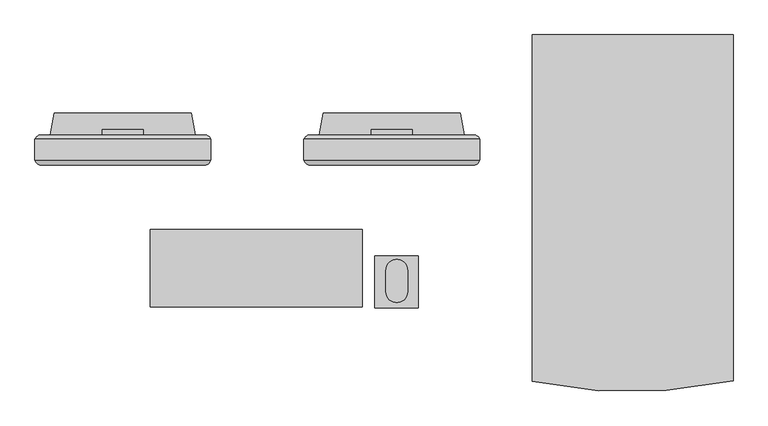
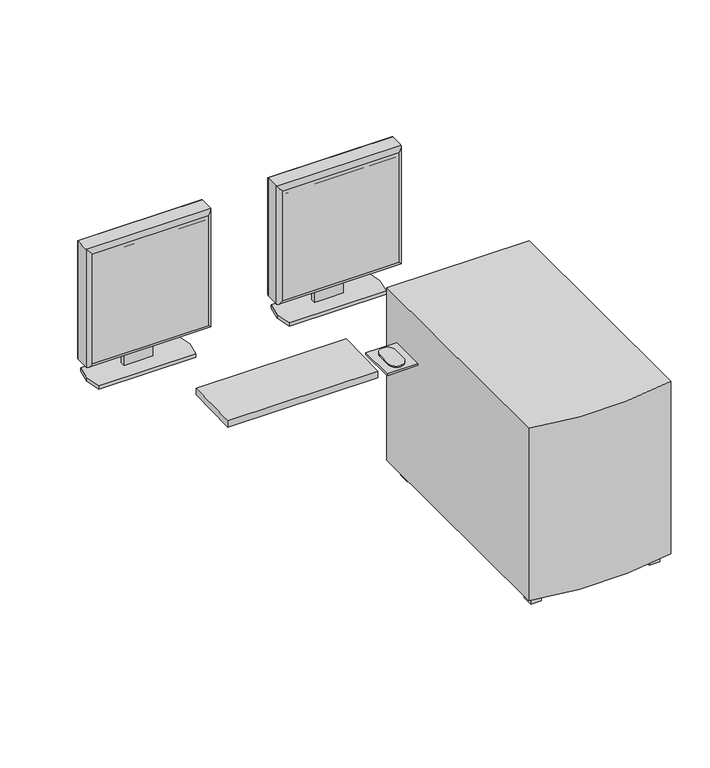
"""IFC4 building model written with IfcOpenShell, lengths in millimetres: proxy geometry."""

from ifc_helpers import new_model, si_unit, point, frame, frame_2d, origin, origin_with_axes, place, context, project, spatial, polyline, circle_curve, ellipse_curve, trimmed, segment, composite_curve, outline, extrude, source, transform, mapped, element, save
from ifc_brep_helpers import plane_surface, cylinder_surface, advanced_brep


def specialty_equipment_9a6ed534(model_context):
    return source(origin(), model_context, "Body", "SolidModel", [
        advanced_brep(
        [(801.1867356, -368.091636, 1354.1279923), (801.1867356, -411.2223166, 1354.1279923), (801.1867356, -416.2193594, 1354.1279923), (1210.1267356, -416.2193594, 1354.1279923), (1210.1267356, -411.2223166, 1354.1279923), (1210.1267356, -368.091636, 1354.1279923), (1210.1267356, -368.091636, 944.5643187), (1210.1267356, -411.2223166, 944.5643187), (1210.1267356, -416.2193594, 944.5643187), (801.1867356, -416.2193594, 944.5643187), (801.1867356, -411.2223166, 944.5643187), (801.1867356, -368.091636, 944.5643187), (810.4243716, -358.854, 953.8019547), (810.4243716, -358.854, 1344.8903563), (1200.8890997, -358.854, 1344.8903563), (1200.8890997, -358.854, 953.8019547), (815.3508963, -428.1036769, 1339.9625613), (815.3508963, -428.1036769, 958.7297497), (1195.9613046, -428.1036769, 958.7284793), (1195.962575, -428.1036769, 1339.9625613)],
        [
            (0, 1),
            (1, 2),
            (2, 3),
            (3, 4),
            (4, 5),
            (5, 0),
            (6, 7),
            (7, 8),
            (8, 9),
            (9, 10),
            (10, 11),
            (11, 6),
            (12, 13),
            (13, 14),
            (14, 15),
            (15, 12),
            (0, 11),
            (9, 2),
            (16, 17),
            (17, 18),
            (18, 19),
            (19, 16),
            (3, 8),
            (6, 5),
            (12, 11, ellipse_curve(frame((817.3014239, -374.9686883, 960.679007), z_axis=(-0.7071067811865452, 0.0, 0.7071067811865498), x_axis=(-0.7071067811865498, 0.0, -0.7071067811865452)), 24.7780962, 17.5207599)),
            (0, 13, ellipse_curve(frame((817.3014239, -374.9686883, 1338.013304), z_axis=(-0.7071067811865498, 0.0, -0.7071067811865452), x_axis=(0.7071067811865452, 0.0, -0.7071067811865498)), 24.7780962, 17.5207599)),
            (16, 2, ellipse_curve(frame((815.3508963, -413.720838, 1339.9638317), z_axis=(-0.7071067811865498, 0.0, -0.7071067811865452), x_axis=(0.7071067811865452, 0.0, -0.7071067811865498)), 20.3404059, 14.3828389)),
            (9, 17, ellipse_curve(frame((815.3508963, -413.720838, 958.7284793), z_axis=(-0.7071067811865452, 0.0, 0.7071067811865498), x_axis=(-0.7071067811865498, 0.0, -0.7071067811865452)), 20.3404059, 14.3828389)),
            (15, 6, ellipse_curve(frame((1194.0120474, -374.9686883, 960.679007), z_axis=(-0.7071067811865498, 0.0, -0.7071067811865452), x_axis=(0.7071067811865452, 0.0, -0.7071067811865497)), 24.7780962, 17.5207599)),
            (8, 18, ellipse_curve(frame((1195.962575, -413.720838, 958.7284793), z_axis=(-0.7071067811865498, 0.0, -0.7071067811865452), x_axis=(0.7071067811865452, 0.0, -0.7071067811865497)), 20.3404059, 14.3828389)),
            (14, 5, ellipse_curve(frame((1194.0120474, -374.9686883, 1338.013304), z_axis=(0.7071067811865452, 0.0, -0.7071067811865498), x_axis=(0.7071067811865498, 0.0, 0.7071067811865452)), 24.7780962, 17.5207599)),
            (3, 19, ellipse_curve(frame((1195.962575, -413.720838, 1339.9638317), z_axis=(0.7071067811865452, 0.0, -0.7071067811865498), x_axis=(0.7071067811865498, 0.0, 0.7071067811865452)), 20.3404059, 14.3828389)),
        ],
        [
            plane_surface(frame((806.2667356, -358.854, 1354.1279923), z_axis=(0.0, 0.0, 1.0), x_axis=(-1.0, 0.0, 0.0))),
            plane_surface(frame((806.2667356, -358.854, 944.5643187), z_axis=(0.0, 0.0, -1.0), x_axis=(1.0, 0.0, 0.0))),
            plane_surface(frame((1210.1267356, -358.854, 1354.1279923), z_axis=(0.0, 1.0, 0.0), x_axis=(0.0, 0.0, -1.0))),
            plane_surface(frame((801.1867356, -358.854, 1354.1279923), z_axis=(-1.0, 0.0, 0.0), x_axis=(0.0, 0.0, -1.0))),
            plane_surface(frame((801.1867356, -428.1036769, 1354.1279923), z_axis=(0.0, -1.0, 0.0), x_axis=(0.0, 0.0, -1.0))),
            plane_surface(frame((1210.1267356, -428.1036769, 1354.1279923), z_axis=(1.0, 0.0, 0.0), x_axis=(0.0, 0.0, -1.0))),
            cylinder_surface(frame((817.3014239, -374.9686883, 1354.1279923), z_axis=(0.0, 0.0, -1.0), x_axis=(0.0, 1.0, 0.0)), 17.5207599),
            cylinder_surface(frame((815.3508963, -413.720838, 1354.1279923), z_axis=(0.0, 0.0, -1.0), x_axis=(0.0, 1.0, 0.0)), 14.3828389),
            cylinder_surface(frame((801.1867356, -374.9686883, 960.679007), z_axis=(1.0, 0.0, 0.0), x_axis=(0.0, 1.0, 0.0)), 17.5207599),
            cylinder_surface(frame((801.1867356, -413.720838, 958.7284793), z_axis=(1.0, 0.0, 0.0), x_axis=(0.0, 1.0, 0.0)), 14.3828389),
            cylinder_surface(frame((1194.0120474, -374.9686883, 944.5643187), z_axis=(0.0, 0.0, 1.0), x_axis=(0.0, 1.0, 0.0)), 17.5207599),
            cylinder_surface(frame((1195.962575, -413.720838, 944.5643187), z_axis=(0.0, 0.0, 1.0), x_axis=(0.0, 1.0, 0.0)), 14.3828389),
            cylinder_surface(frame((1210.1267356, -374.9686883, 1338.013304), z_axis=(-1.0, 0.0, 0.0), x_axis=(0.0, 1.0, 0.0)), 17.5207599),
            cylinder_surface(frame((1210.1267356, -413.720838, 1339.9638317), z_axis=(-1.0, 0.0, 0.0), x_axis=(0.0, 1.0, 0.0)), 14.3828389),
        ],
        [
            (0, [[1, 2, 3, 4, 5, 6]]),
            (1, [[7, 8, 9, 10, 11, 12]]),
            (2, [[13, 14, 15, 16]]),
            (3, [[-1, 17, -11, -10, 18, -2]]),
            (4, [[19, 20, 21, 22]]),
            (5, [[-5, -4, 23, -8, -7, 24]]),
            (6, [[25, -17, 26, -13]]),
            (7, [[27, -18, 28, -19]]),
            (8, [[-25, -16, 29, -12]]),
            (9, [[30, -20, -28, -9]]),
            (10, [[-29, -15, 31, -24]]),
            (11, [[32, -21, -30, -23]]),
            (12, [[-26, -6, -31, -14]]),
            (13, [[-27, -22, -32, -3]]),
        ],
    ),
        extrude(outline(polyline([(826.5867356, -422.1898978), (1184.7267356, -422.1898978), (1184.7267356, -428.1036769), (826.5867356, -428.1036769), (826.5867356, -422.1898978)])), frame((0.0, 0.0, 969.9643187), z_axis=(0.0, 0.0, 1.0), x_axis=(1.0, 0.0, 0.0)), (0.0, 0.0, 1.0), 358.7636736),
        extrude(outline(polyline([(-358.854, 1170.5473979), (-346.1728288, 1170.5473979), (-346.1728288, 860.8833654), (-358.854, 860.8833654), (-358.854, 941.1019547), (-356.1167676, 941.1019547), (-356.1167676, 953.8019547), (-358.854, 953.8019547), (-358.854, 1170.5473979)])), frame((958.0317356, 0.0, 0.0), z_axis=(1.0, 0.0, 0.0), x_axis=(0.0, 1.0, 0.0)), (0.0, 0.0, 1.0), 95.25),
        extrude(outline(polyline([(837.0007356, -358.854), (846.1447356, -307.8), (1165.1687356, -307.8), (1174.3127356, -358.854), (1165.1687356, -409.908), (846.1447356, -409.908), (837.0007356, -358.854)])), frame((0.0, 0.0, 848.6679923), z_axis=(0.0, 0.0, 1.0), x_axis=(1.0, 0.0, 0.0)), (0.0, 0.0, 1.0), 12.2153731),
        advanced_brep(
        [(175.730005, -368.091636, 1354.1279923), (175.730005, -411.2223166, 1354.1279923), (175.730005, -416.2193594, 1354.1279923), (584.670005, -416.2193594, 1354.1279923), (584.670005, -411.2223166, 1354.1279923), (584.670005, -368.091636, 1354.1279923), (584.670005, -368.091636, 944.5643187), (584.670005, -411.2223166, 944.5643187), (584.670005, -416.2193594, 944.5643187), (175.730005, -416.2193594, 944.5643187), (175.730005, -411.2223166, 944.5643187), (175.730005, -368.091636, 944.5643187), (184.967641, -358.854, 953.8019547), (184.967641, -358.854, 1344.8903563), (575.432369, -358.854, 1344.8903563), (575.432369, -358.854, 953.8019547), (189.8941656, -428.1036769, 1339.9625613), (189.8941656, -428.1036769, 958.7297497), (570.504574, -428.1036769, 958.7284793), (570.5058444, -428.1036769, 1339.9625613)],
        [
            (0, 1),
            (1, 2),
            (2, 3),
            (3, 4),
            (4, 5),
            (5, 0),
            (6, 7),
            (7, 8),
            (8, 9),
            (9, 10),
            (10, 11),
            (11, 6),
            (12, 13),
            (13, 14),
            (14, 15),
            (15, 12),
            (0, 11),
            (9, 2),
            (16, 17),
            (17, 18),
            (18, 19),
            (19, 16),
            (3, 8),
            (6, 5),
            (12, 11, ellipse_curve(frame((191.8446933, -374.9686883, 960.679007), z_axis=(-0.7071067811865452, 0.0, 0.7071067811865498), x_axis=(-0.7071067811865498, 0.0, -0.7071067811865452)), 24.7780962, 17.5207599)),
            (0, 13, ellipse_curve(frame((191.8446933, -374.9686883, 1338.013304), z_axis=(-0.7071067811865498, 0.0, -0.7071067811865452), x_axis=(0.7071067811865452, 0.0, -0.7071067811865498)), 24.7780962, 17.5207599)),
            (16, 2, ellipse_curve(frame((189.8941656, -413.720838, 1339.9638317), z_axis=(-0.7071067811865498, 0.0, -0.7071067811865452), x_axis=(0.7071067811865452, 0.0, -0.7071067811865498)), 20.3404059, 14.3828389)),
            (9, 17, ellipse_curve(frame((189.8941656, -413.720838, 958.7284793), z_axis=(-0.7071067811865452, 0.0, 0.7071067811865498), x_axis=(-0.7071067811865498, 0.0, -0.7071067811865452)), 20.3404059, 14.3828389)),
            (15, 6, ellipse_curve(frame((568.5553167, -374.9686883, 960.679007), z_axis=(-0.7071067811865498, 0.0, -0.7071067811865452), x_axis=(0.7071067811865452, 0.0, -0.7071067811865497)), 24.7780962, 17.5207599)),
            (8, 18, ellipse_curve(frame((570.5058444, -413.720838, 958.7284793), z_axis=(-0.7071067811865498, 0.0, -0.7071067811865452), x_axis=(0.7071067811865452, 0.0, -0.7071067811865497)), 20.3404059, 14.3828389)),
            (14, 5, ellipse_curve(frame((568.5553167, -374.9686883, 1338.013304), z_axis=(0.7071067811865452, 0.0, -0.7071067811865498), x_axis=(0.7071067811865498, 0.0, 0.7071067811865452)), 24.7780962, 17.5207599)),
            (3, 19, ellipse_curve(frame((570.5058444, -413.720838, 1339.9638317), z_axis=(0.7071067811865452, 0.0, -0.7071067811865498), x_axis=(0.7071067811865498, 0.0, 0.7071067811865452)), 20.3404059, 14.3828389)),
        ],
        [
            plane_surface(frame((180.810005, -358.854, 1354.1279923), z_axis=(0.0, 0.0, 1.0), x_axis=(-1.0, 0.0, 0.0))),
            plane_surface(frame((180.810005, -358.854, 944.5643187), z_axis=(0.0, 0.0, -1.0), x_axis=(1.0, 0.0, 0.0))),
            plane_surface(frame((584.670005, -358.854, 1354.1279923), z_axis=(0.0, 1.0, 0.0), x_axis=(0.0, 0.0, -1.0))),
            plane_surface(frame((175.730005, -358.854, 1354.1279923), z_axis=(-1.0, 0.0, 0.0), x_axis=(0.0, 0.0, -1.0))),
            plane_surface(frame((175.730005, -428.1036769, 1354.1279923), z_axis=(0.0, -1.0, 0.0), x_axis=(0.0, 0.0, -1.0))),
            plane_surface(frame((584.670005, -428.1036769, 1354.1279923), z_axis=(1.0, 0.0, 0.0), x_axis=(0.0, 0.0, -1.0))),
            cylinder_surface(frame((191.8446933, -374.9686883, 1354.1279923), z_axis=(0.0, 0.0, -1.0), x_axis=(0.0, 1.0, 0.0)), 17.5207599),
            cylinder_surface(frame((189.8941656, -413.720838, 1354.1279923), z_axis=(0.0, 0.0, -1.0), x_axis=(0.0, 1.0, 0.0)), 14.3828389),
            cylinder_surface(frame((175.730005, -374.9686883, 960.679007), z_axis=(1.0, 0.0, 0.0), x_axis=(0.0, 1.0, 0.0)), 17.5207599),
            cylinder_surface(frame((175.730005, -413.720838, 958.7284793), z_axis=(1.0, 0.0, 0.0), x_axis=(0.0, 1.0, 0.0)), 14.3828389),
            cylinder_surface(frame((568.5553167, -374.9686883, 944.5643187), z_axis=(0.0, 0.0, 1.0), x_axis=(0.0, 1.0, 0.0)), 17.5207599),
            cylinder_surface(frame((570.5058444, -413.720838, 944.5643187), z_axis=(0.0, 0.0, 1.0), x_axis=(0.0, 1.0, 0.0)), 14.3828389),
            cylinder_surface(frame((584.670005, -374.9686883, 1338.013304), z_axis=(-1.0, 0.0, 0.0), x_axis=(0.0, 1.0, 0.0)), 17.5207599),
            cylinder_surface(frame((584.670005, -413.720838, 1339.9638317), z_axis=(-1.0, 0.0, 0.0), x_axis=(0.0, 1.0, 0.0)), 14.3828389),
        ],
        [
            (0, [[1, 2, 3, 4, 5, 6]]),
            (1, [[7, 8, 9, 10, 11, 12]]),
            (2, [[13, 14, 15, 16]]),
            (3, [[-1, 17, -11, -10, 18, -2]]),
            (4, [[19, 20, 21, 22]]),
            (5, [[-5, -4, 23, -8, -7, 24]]),
            (6, [[25, -17, 26, -13]]),
            (7, [[27, -18, 28, -19]]),
            (8, [[-25, -16, 29, -12]]),
            (9, [[30, -20, -28, -9]]),
            (10, [[-29, -15, 31, -24]]),
            (11, [[32, -21, -30, -23]]),
            (12, [[-26, -6, -31, -14]]),
            (13, [[-27, -22, -32, -3]]),
        ],
    ),
        extrude(outline(polyline([(201.130005, -422.1898978), (559.270005, -422.1898978), (559.270005, -428.1036769), (201.130005, -428.1036769), (201.130005, -422.1898978)])), frame((0.0, 0.0, 969.9643187), z_axis=(0.0, 0.0, 1.0), x_axis=(1.0, 0.0, 0.0)), (0.0, 0.0, 1.0), 358.7636736),
        extrude(outline(polyline([(-358.854, 1170.5473979), (-346.1728288, 1170.5473979), (-346.1728288, 860.8833654), (-358.854, 860.8833654), (-358.854, 941.1019547), (-356.1167676, 941.1019547), (-356.1167676, 953.8019547), (-358.854, 953.8019547), (-358.854, 1170.5473979)])), frame((332.575005, 0.0, 0.0), z_axis=(1.0, 0.0, 0.0), x_axis=(0.0, 1.0, 0.0)), (0.0, 0.0, 1.0), 95.25),
        extrude(outline(polyline([(211.544005, -358.854), (220.688005, -307.8), (539.712005, -307.8), (548.856005, -358.854), (539.712005, -409.908), (220.688005, -409.908), (211.544005, -358.854)])), frame((0.0, 0.0, 848.6679923), z_axis=(0.0, 0.0, 1.0), x_axis=(1.0, 0.0, 0.0)), (0.0, 0.0, 1.0), 12.2153731),
        extrude(outline(composite_curve([segment(trimmed(circle_curve(frame_2d((1016.903485, -722.8690029)), 25.4), [point((1042.303485, -722.8690029))], [point((991.503485, -722.8690029))], False, "CARTESIAN"), True, "CONTINUOUS"), segment(polyline([(991.503485, -722.8690029), (991.503485, -673.7527633)]), True, "CONTINUOUS"), segment(trimmed(circle_curve(frame_2d((1016.903485, -673.7527633)), 25.4), [point((991.503485, -673.7527633))], [point((1042.303485, -673.7527633))], False, "CARTESIAN"), True, "CONTINUOUS"), segment(polyline([(1042.303485, -673.7527633), (1042.303485, -722.8690029)]), True, "CONTINUOUS")], self_intersect=False)), frame((0.0, 0.0, 853.3365775), z_axis=(0.0, 0.0, 1.0), x_axis=(1.0, 0.0, 0.0)), (0.0, 0.0, 1.0), 4.6445578),
        extrude(outline(polyline([(1067.2412878, -639.3214235), (1067.2412878, -760.3575522), (966.2044784, -760.3575522), (966.2044784, -639.3214235), (1067.2412878, -639.3214235)])), frame((0.0, 0.0, 847.472186), z_axis=(0.0, 0.0, 1.0), x_axis=(1.0, 0.0, 0.0)), (0.0, 0.0, 1.0), 5.8643915),
        extrude(outline(polyline([(556.5913043, 0.0), (556.5913043, -179.556892), (64.2033836, -179.556892), (64.2033836, 0.0), (556.5913043, 0.0)])), frame((379.7293003, -577.794651, 852.9102897), z_axis=(0.0, -0.023626480133413532, 0.9997208557574987), x_axis=(1.0, 0.0, 0.0)), (0.0, 0.0, 1.0), 23.0517179),
        extrude(outline(polyline([(1746.6768869, -196.0909562), (1746.6768869, -158.5361795), (1781.2975565, -158.5361795), (1781.2975565, -196.0909562), (1746.6768869, -196.0909562)])), origin_with_axes(), (0.0, 0.0, 1.0), 41.0096689),
        extrude(outline(polyline([(1746.6768869, -898.6754979), (1746.6768869, -861.1207212), (1781.2975565, -861.1207212), (1781.2975565, -898.6754979), (1746.6768869, -898.6754979)])), origin_with_axes(), (0.0, 0.0, 1.0), 41.0096689),
        extrude(outline(composite_curve([segment(polyline([(1331.6819743, -125.2636173), (1799.0587054, -125.2636173), (1799.0587054, -930.8822509)]), True, "CONTINUOUS"), segment(trimmed(circle_curve(frame_2d((1564.1087054, 162.3758608)), 1118.2194781), [point((1799.0587054, -930.8822509))], [point((1331.6819743, -931.4214769))], False, "CARTESIAN"), True, "CONTINUOUS"), segment(polyline([(1331.6819743, -931.4214769), (1331.6819743, -125.2636173)]), True, "CONTINUOUS")], self_intersect=False)), frame((0.0, 0.0, 41.0096689), z_axis=(0.0, 0.0, 1.0), x_axis=(1.0, 0.0, 0.0)), (0.0, 0.0, 1.0), 598.8163311),
        extrude(outline(polyline([(1392.4551217, -158.5361795), (1392.4551217, -196.0909562), (1357.8344521, -196.0909562), (1357.8344521, -158.5361795), (1392.4551217, -158.5361795)])), origin_with_axes(), (0.0, 0.0, 1.0), 41.0096689),
        extrude(outline(polyline([(1392.4551217, -861.1207212), (1392.4551217, -898.6754979), (1357.8344521, -898.6754979), (1357.8344521, -861.1207212), (1392.4551217, -861.1207212)])), origin_with_axes(), (0.0, 0.0, 1.0), 41.0096689),
    ])


if __name__ == "__main__":
    model = new_model("IFC4")
    model_context = context("Model", 3, world=origin())
    ifc_project = project(units=[si_unit("LENGTHUNIT", "METRE", prefix="MILLI")], contexts=[model_context])
    site = spatial("IfcSite", under=ifc_project)
    building = spatial("IfcBuilding", under=site)
    placement = place(None, origin())
    specialty_equipment_shape = specialty_equipment_9a6ed534(model_context)
    element("IfcBuildingElementProxy", 1, Name="Specialty Equipment", at=placement, inside=building, context=model_context, shape_type="MappedRepresentation", body=[
        mapped(specialty_equipment_shape, transform((0.0, 0.0, 0.0), x_axis=(1.0, 0.0, 0.0), y_axis=(0.0, 1.0, 0.0), z_axis=(0.0, 0.0, 1.0))),
    ])
    save(model, "model.ifc")
